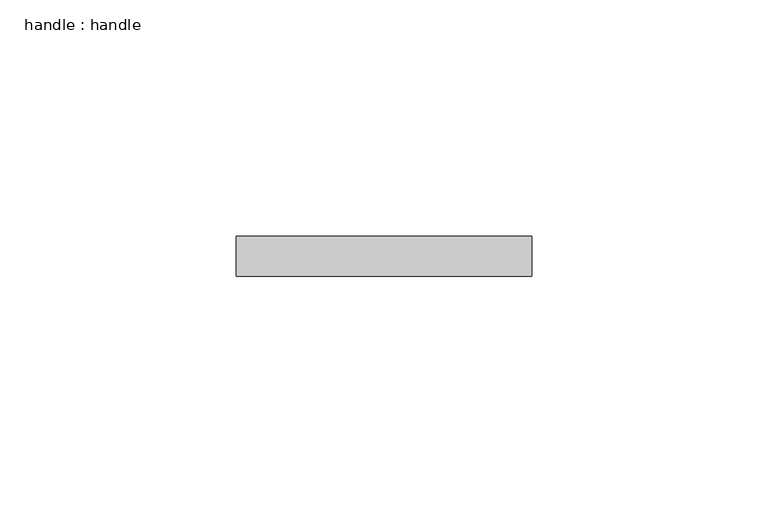
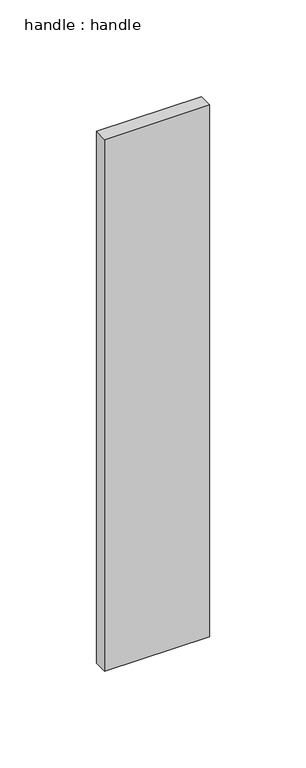
"""IFC4 building model written with IfcOpenShell, lengths in millimetres: proxy geometry, handle : handle."""

from ifc_helpers import new_model, si_unit, frame, origin, place, context, project, spatial, polyline, outline, extrude, source, transform, mapped, element, save


def handle_handle_0b1f2b2e(model_context):
    return source(origin(), model_context, "Body", "SweptSolid", [
        extrude(outline(polyline([(-288710.4394122, 3091.3789903), (-288710.4394122, 3082.911386), (-288773.0678596, 3082.911386), (-288773.0678596, 3091.3789903), (-288710.4394122, 3091.3789903)])), frame((0.0, 0.0, -2637.5370632), z_axis=(0.0, 0.0, 1.0), x_axis=(1.0, 0.0, 0.0)), (0.0, 0.0, 1.0), 335.7924078),
    ])


if __name__ == "__main__":
    model = new_model("IFC4")
    model_context = context("Model", 3, world=origin())
    ifc_project = project(units=[si_unit("LENGTHUNIT", "METRE", prefix="MILLI")], contexts=[model_context])
    site = spatial("IfcSite", under=ifc_project)
    building = spatial("IfcBuilding", under=site)
    placement = place(None, origin())
    handle_handle_shape = handle_handle_0b1f2b2e(model_context)
    element("IfcBuildingElementProxy", 1, Name="handle : handle", ObjectType="handle : handle", at=placement, inside=building, context=model_context, shape_type="MappedRepresentation", body=[
        mapped(handle_handle_shape, transform((0.0, 0.0, 0.0), x_axis=(1.0, 0.0, 0.0), y_axis=(0.0, 1.0, 0.0), z_axis=(0.0, 0.0, 1.0))),
    ])
    save(model, "model.ifc")
